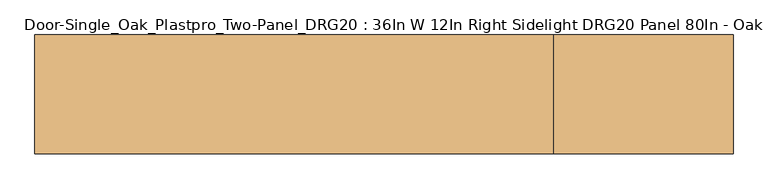
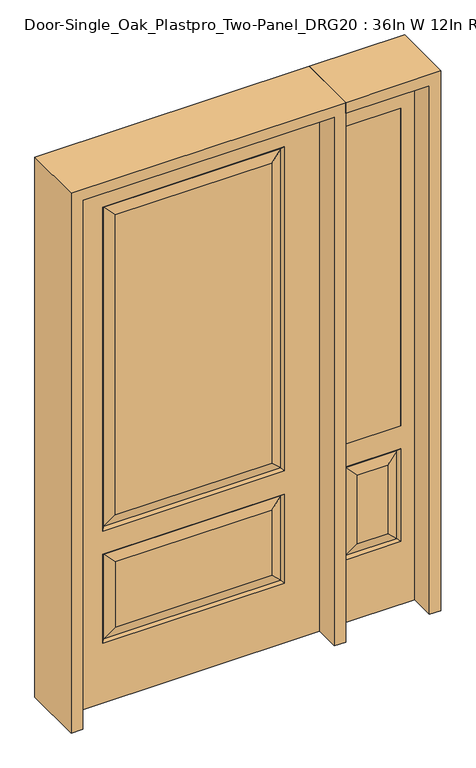
"""IFC4 building model written with IfcOpenShell, lengths in millimetres: door geometry, Door-Single_Oak_Plastpro_Two-Panel_DRG20 : 36In W 12In Right Sidelight DRG20 Panel 80In - Oak."""

from ifc_helpers import new_model, si_unit, frame, origin, place, context, project, spatial, polyline, outline, extrude, faceted_brep, source, transform, mapped, element, save


def door_single_oak_plastpro_two_panel_drg20_36in_w_12in_right_1876232b(model_context):
    return source(origin(), model_context, "Body", "SolidModel", [
        extrude(outline(polyline([(549.275, -20.6375), (549.275, 20.6375), (752.475, 20.6375), (752.475, -20.6375), (549.275, -20.6375)])), frame((0.0, 0.0, 685.8), z_axis=(0.0, 0.0, 1.0), x_axis=(1.0, 0.0, 0.0)), (0.0, 0.0, 1.0), 1219.2),
        faceted_brep([(803.275, -20.6375, 0.0), (803.275, -20.6375, 2032.0), (498.475, -20.6375, 2032.0), (498.475, -20.6375, 0.0), (549.275, -20.6375, 685.8), (549.275, -20.6375, 1905.0), (752.475, -20.6375, 1905.0), (752.475, -20.6375, 685.8), (549.275, -20.6375, 241.3), (549.275, -20.6375, 596.9), (752.475, -20.6375, 596.9), (752.475, -20.6375, 241.3), (706.4375, -20.6375, 287.3375), (706.4375, -20.6375, 550.8625), (595.3125, -20.6375, 550.8625), (595.3125, -20.6375, 287.3375), (498.475, 20.6375, 0.0), (803.275, 20.6375, 0.0), (498.475, 20.6375, 2032.0), (803.275, 20.6375, 2032.0), (558.2552561, -11.6572439, 250.2802561), (743.4947439, -11.6572439, 250.2802561), (743.4947439, -11.6572439, 587.9197439), (558.2552561, -11.6572439, 587.9197439), (752.475, 20.6375, 685.8), (549.275, 20.6375, 685.8), (752.475, 20.6375, 1905.0), (549.275, 20.6375, 1905.0), (752.475, 20.6375, 241.3), (752.475, 20.6375, 596.9), (549.275, 20.6375, 596.9), (549.275, 20.6375, 241.3), (595.3125, 20.6375, 287.3375), (595.3125, 20.6375, 550.8625), (706.4375, 20.6375, 550.8625), (706.4375, 20.6375, 287.3375), (558.2552561, 11.6572439, 250.2802561), (743.4947439, 11.6572439, 250.2802561), (558.2552561, 11.6572439, 587.9197439), (743.4947439, 11.6572439, 587.9197439)], [[[0, 1, 2, 3], [4, 5, 6, 7], [8, 9, 10, 11]], [[12, 13, 14, 15]], [[3, 16, 17, 0]], [[2, 18, 16, 3]], [[0, 17, 19, 1]], [[20, 8, 11, 21]], [[11, 10, 22, 21]], [[10, 9, 23, 22]], [[20, 23, 9, 8]], [[21, 12, 15, 20]], [[15, 14, 23, 20]], [[22, 23, 14, 13]], [[21, 22, 13, 12]], [[4, 7, 24, 25]], [[7, 6, 26, 24]], [[25, 27, 5, 4]], [[17, 16, 18, 19], [24, 26, 27, 25], [28, 29, 30, 31]], [[32, 33, 34, 35]], [[28, 31, 36, 37]], [[31, 30, 38, 36]], [[39, 38, 30, 29]], [[37, 39, 29, 28]], [[36, 32, 35, 37]], [[35, 34, 39, 37]], [[34, 33, 38, 39]], [[36, 38, 33, 32]], [[1, 19, 18, 2]], [[27, 26, 6, 5]]]),
        faceted_brep([(-321.2197439, -11.6572439, 237.5802561), (-284.1625, -20.6375, 274.6375), (-284.1625, -20.6375, 525.4625), (-321.2197439, -11.6572439, 562.5197439), (-330.2, 20.6375, 228.6), (-321.2197439, 11.6572439, 237.5802561), (321.2197439, 11.6572439, 237.5802561), (330.2, 20.6375, 228.6), (-330.2, 20.6375, 571.5), (-321.2197439, 11.6572439, 562.5197439), (321.2197439, 11.6572439, 562.5197439), (330.2, 20.6375, 571.5), (457.2, 20.6375, 2032.0), (-457.2, 20.6375, 2032.0), (-457.2, -20.6375, 2032.0), (457.2, -20.6375, 2032.0), (457.2, 20.6375, 0.0), (457.2, -20.6375, 0.0), (-457.2, -20.6375, 0.0), (-457.2, 20.6375, 0.0), (284.1625, -20.6375, 274.6375), (284.1625, -20.6375, 525.4625), (-284.1625, -20.6375, 706.4375), (284.1625, -20.6375, 706.4375), (284.1625, -20.6375, 1858.9625), (-284.1625, -20.6375, 1858.9625), (330.2, -20.6375, 660.4), (-330.2, -20.6375, 660.4), (-330.2, -20.6375, 1905.0), (330.2, -20.6375, 1905.0), (330.2, -20.6375, 228.6), (-330.2, -20.6375, 228.6), (-330.2, -20.6375, 571.5), (330.2, -20.6375, 571.5), (-284.1625, 20.6375, 1858.9625), (284.1625, 20.6375, 1858.9625), (284.1625, 20.6375, 706.4375), (-284.1625, 20.6375, 706.4375), (-284.1625, 20.6375, 525.4625), (284.1625, 20.6375, 525.4625), (284.1625, 20.6375, 274.6375), (-284.1625, 20.6375, 274.6375), (330.2, 20.6375, 1905.0), (-330.2, 20.6375, 1905.0), (-330.2, 20.6375, 660.4), (330.2, 20.6375, 660.4), (-321.2197439, 11.6572439, 1896.0197439), (-321.2197439, 11.6572439, 669.3802561), (321.2197439, 11.6572439, 669.3802561), (321.2197439, 11.6572439, 1896.0197439), (321.2197439, -11.6572439, 669.3802561), (-321.2197439, -11.6572439, 669.3802561), (-321.2197439, -11.6572439, 1896.0197439), (321.2197439, -11.6572439, 1896.0197439), (321.2197439, -11.6572439, 237.5802561), (321.2197439, -11.6572439, 562.5197439)], [[[0, 1, 2, 3]], [[4, 5, 6, 7]], [[8, 9, 5, 4]], [[10, 9, 8, 11]], [[12, 13, 14, 15]], [[16, 17, 18, 19]], [[12, 15, 17, 16]], [[1, 20, 21, 2]], [[22, 23, 24, 25]], [[15, 14, 18, 17], [26, 27, 28, 29], [30, 31, 32, 33]], [[14, 13, 19, 18]], [[34, 35, 36, 37]], [[38, 39, 40, 41]], [[13, 12, 16, 19], [11, 8, 4, 7], [42, 43, 44, 45]], [[43, 46, 47, 44]], [[44, 47, 48, 45]], [[49, 42, 45, 48]], [[35, 49, 48, 36]], [[47, 37, 36, 48]], [[46, 34, 37, 47]], [[10, 11, 7, 6]], [[9, 10, 39, 38]], [[39, 10, 6, 40]], [[5, 41, 40, 6]], [[9, 38, 41, 5]], [[50, 51, 27, 26]], [[27, 51, 52, 28]], [[50, 26, 29, 53]], [[51, 50, 23, 22]], [[23, 50, 53, 24]], [[51, 22, 25, 52]], [[54, 0, 31, 30]], [[31, 0, 3, 32]], [[32, 3, 55, 33]], [[54, 30, 33, 55]], [[0, 54, 20, 1]], [[20, 54, 55, 21]], [[3, 2, 21, 55]], [[28, 52, 53, 29]], [[52, 25, 24, 53]], [[49, 46, 43, 42]], [[46, 49, 35, 34]]]),
        extrude(outline(polyline([(2073.275, -498.475), (0.0, -498.475), (0.0, -457.2), (2032.0, -457.2), (2032.0, 457.2), (0.0, 457.2), (0.0, 498.475), (2073.275, 498.475), (2073.275, -498.475)])), frame((0.0, -114.3, 0.0), z_axis=(0.0, 1.0, 0.0), x_axis=(0.0, 0.0, 1.0)), (0.0, 0.0, 1.0), 228.6),
        extrude(outline(polyline([(0.0, 803.275), (0.0, 844.55), (2073.275, 844.55), (2073.275, 498.475), (2032.0, 498.475), (2032.0, 803.275), (0.0, 803.275)])), frame((0.0, -114.3, 0.0), z_axis=(0.0, 1.0, 0.0), x_axis=(0.0, 0.0, 1.0)), (0.0, 0.0, 1.0), 228.6),
    ])


if __name__ == "__main__":
    model = new_model("IFC4")
    model_context = context("Model", 3, world=origin())
    ifc_project = project(units=[si_unit("LENGTHUNIT", "METRE", prefix="MILLI")], contexts=[model_context])
    site = spatial("IfcSite", under=ifc_project)
    building = spatial("IfcBuilding", under=site)
    placement = place(None, origin())
    door_single_oak_plastpro_two_panel_drg20_36in_w_12in_right_shape = door_single_oak_plastpro_two_panel_drg20_36in_w_12in_right_1876232b(model_context)
    element("IfcDoor", 1, ObjectType="Door-Single_Oak_Plastpro_Two-Panel_DRG20 : 36In W 12In Right Sidelight DRG20 Panel 80In - Oak", at=placement, inside=building, context=model_context, shape_type="MappedRepresentation", body=[
        mapped(door_single_oak_plastpro_two_panel_drg20_36in_w_12in_right_shape, transform((0.0, 0.0, 0.0), x_axis=(1.0, 0.0, 0.0), y_axis=(0.0, 1.0, 0.0), z_axis=(0.0, 0.0, 1.0))),
    ])
    save(model, "model.ifc")
